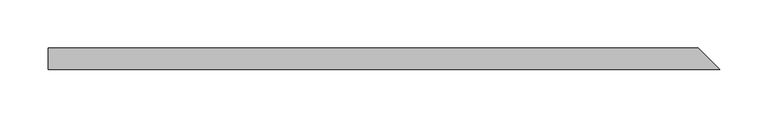
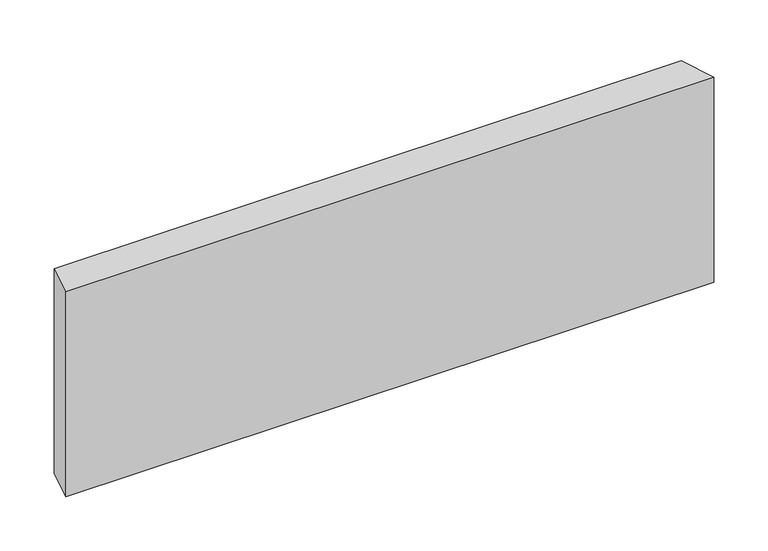
"""IFC4 building model written with IfcOpenShell, lengths in millimetres: beam geometry."""

import ifcopenshell
import ifcopenshell.guid

model = None  # the IFC model being written
_history = None  # IfcOwnerHistory: only IFC2X3 demands one
_inside = {}  # id of a spatial element -> (the spatial element, [elements in it])
_under = {}  # id of a project, library or spatial element -> (it, [spatial elements below it])
_declared = {}  # id of a project -> (the project, [libraries it declares])
_typed = {}  # id of a type object -> (the type object, [elements of that type])
_made_of = {}  # id of a material, layer set ... -> (it, [elements and type objects made of it])


def new_model(schema):
    """Start an empty IFC model of exactly this schema.

    Asked for "IFC4X3", IfcOpenShell would pick the latest addendum, in which some entities
    have other attributes; the version numbers below select the first issue.
    IFC2X3 requires an IfcOwnerHistory on every rooted entity: one is made here for all.
    """
    global model, _history
    if schema == "IFC4X3":
        model = ifcopenshell.file(schema_version=(4, 3, 0, 0))
    else:
        model = ifcopenshell.file(schema=schema)
    _inside.clear()
    _under.clear()
    _declared.clear()
    _typed.clear()
    _made_of.clear()
    _history = None
    if model.schema == "IFC2X3":
        org = make("IfcOrganization", Name="unknown")
        user = make(
            "IfcPersonAndOrganization",
            ThePerson=make("IfcPerson", FamilyName="unknown"),
            TheOrganization=org,
        )
        app = make(
            "IfcApplication",
            ApplicationDeveloper=org,
            Version="unknown",
            ApplicationFullName="unknown",
            ApplicationIdentifier="unknown",
        )
        _history = make(
            "IfcOwnerHistory",
            OwningUser=user,
            OwningApplication=app,
            ChangeAction="ADDED",
            CreationDate=0,
        )
    return model


def make(cls, **values):
    """One entity of the class cls with the attributes given. An attribute that is None is left unset."""
    return model.create_entity(
        cls, **{name: value for name, value in values.items() if value is not None}
    )


def rooted(cls, **values):
    """An entity with a GlobalId (a new one), such as an element, a storey or a relation."""
    return make(cls, GlobalId=ifcopenshell.guid.new(), OwnerHistory=_history, **values)


def si_unit(unit_type, name, prefix=None):
    """IfcSIUnit, for example si_unit("LENGTHUNIT", "METRE", prefix="MILLI")."""
    return make("IfcSIUnit", UnitType=unit_type, Prefix=prefix, Name=name)


def assignment(units):
    """IfcUnitAssignment: the units of a project."""
    return None if units is None else make("IfcUnitAssignment", Units=units)


def point(xyz):
    """IfcCartesianPoint."""
    return None if xyz is None else make("IfcCartesianPoint", Coordinates=xyz)


def direction(xyz):
    """IfcDirection."""
    return None if xyz is None else make("IfcDirection", DirectionRatios=xyz)


def frame(location, z_axis=None, x_axis=None):
    """IfcAxis2Placement3D, a coordinate frame: its origin and axes. An axis left out is left unset."""
    return make(
        "IfcAxis2Placement3D",
        Location=point(location),
        Axis=direction(z_axis),
        RefDirection=direction(x_axis),
    )


def origin():
    """The frame at (0, 0, 0) with its axes left unset."""
    return frame((0.0, 0.0, 0.0))


def place(relative_to, where):
    """IfcLocalPlacement: puts the frame where relative to a parent placement (None: the world)."""
    return make(
        "IfcLocalPlacement", PlacementRelTo=relative_to, RelativePlacement=where
    )


def context(
    kind, dimensions, precision=None, world=None, true_north=None, identifier=None
):
    """IfcGeometricRepresentationContext, for example the 3D "Model" context."""
    return make(
        "IfcGeometricRepresentationContext",
        ContextIdentifier=identifier,
        ContextType=kind,
        CoordinateSpaceDimension=dimensions,
        Precision=precision,
        WorldCoordinateSystem=world,
        TrueNorth=true_north,
    )


def project(units=None, contexts=None):
    """IfcProject with its units and contexts."""
    return rooted(
        "IfcProject",
        Name="project",
        RepresentationContexts=contexts,
        UnitsInContext=assignment(units),
    )


def spatial(cls, under=None, at=None, **own):
    """A site, building, storey or space (cls), placed at a placement, below another one or the project."""
    s = rooted(cls, ObjectPlacement=at, **own)
    if under is not None:
        _under.setdefault(under.id(), (under, []))[1].append(s)
    return s


def faces_of(points, faces, orient=None, outer=None):
    """IfcFace entities. A face is a list of loops; a loop is a list of indices into points, from 0.

    orient and outer hold one flag for each loop. By default every Orientation is true, the
    first loop of a face is its IfcFaceOuterBound and the others are IfcFaceBound.
    """
    made = []
    for i, loops in enumerate(faces):
        bounds = []
        for j, loop in enumerate(loops):
            is_outer = j == 0 if outer is None else outer[i][j]
            bounds.append(
                make(
                    "IfcFaceOuterBound" if is_outer else "IfcFaceBound",
                    Bound=make("IfcPolyLoop", Polygon=[points[k] for k in loop]),
                    Orientation=True if orient is None else orient[i][j],
                )
            )
        made.append(make("IfcFace", Bounds=bounds))
    return made


def faceted_brep(points, faces, orient=None, outer=None, voids=None):
    """IfcFacetedBrep: a solid bounded by flat faces; with voids (closed shells), ...WithVoids."""
    shared = [point(p) for p in points]
    hull = make("IfcClosedShell", CfsFaces=faces_of(shared, faces, orient, outer))
    if voids is None:
        return make("IfcFacetedBrep", Outer=hull)
    return make(
        "IfcFacetedBrepWithVoids",
        Outer=hull,
        Voids=[
            make(cls, CfsFaces=faces_of(shared, fs, o, b)) for cls, fs, o, b in voids
        ],
    )


def shape(context_of_items, identifier, shape_type, items):
    """IfcShapeRepresentation: the items that make up one representation, for example the "Body"."""
    return make(
        "IfcShapeRepresentation",
        ContextOfItems=context_of_items,
        RepresentationIdentifier=identifier,
        RepresentationType=shape_type,
        Items=items,
    )


def source(mapping_origin, context_of_items, identifier, shape_type, items):
    """IfcRepresentationMap: a shape defined once, which mapped items show again and again."""
    return make(
        "IfcRepresentationMap",
        MappingOrigin=mapping_origin,
        MappedRepresentation=shape(context_of_items, identifier, shape_type, items),
    )


def transform(
    local_origin,
    x_axis=None,
    y_axis=None,
    z_axis=None,
    scale=None,
    scale2=None,
    scale3=None,
    uniform=True,
):
    """IfcCartesianTransformationOperator3D, or its non-uniform kind. x_axis, y_axis, z_axis: its Axis1, 2, 3."""
    if uniform:
        return make(
            "IfcCartesianTransformationOperator3D",
            Axis1=direction(x_axis),
            Axis2=direction(y_axis),
            LocalOrigin=point(local_origin),
            Scale=scale,
            Axis3=direction(z_axis),
        )
    return make(
        "IfcCartesianTransformationOperator3DnonUniform",
        Axis1=direction(x_axis),
        Axis2=direction(y_axis),
        LocalOrigin=point(local_origin),
        Scale=scale,
        Axis3=direction(z_axis),
        Scale2=scale2,
        Scale3=scale3,
    )


def mapped(mapping_source, mapping_target):
    """IfcMappedItem: shows the shape of a source again, moved by a transform."""
    return make(
        "IfcMappedItem", MappingSource=mapping_source, MappingTarget=mapping_target
    )


def made_of(thing, what):
    """Note that an element or type object is made of a material, layer set ...; save() writes the relation."""
    if what is not None:
        _made_of.setdefault(what.id(), (what, []))[1].append(thing)
    return thing


def element(
    cls,
    number,
    at=None,
    inside=None,
    cuts=None,
    type_object=None,
    material=None,
    context=None,
    identifier="Body",
    shape_type=None,
    held_by="IfcProductDefinitionShape",
    body=None,
    shapes=None,
    **own,
):
    """One element of the class cls, such as IfcWall. Its Tag is "e" and its number.

    at: its placement. inside: the storey or other place that contains it. cuts: it is an
    opening in that element (IfcRelVoidsElement). A single representation is given by context,
    identifier, shape_type and body (its items); several are given by shapes. held_by: the class
    of the entity that holds the representations. save() writes the other relations.
    """
    e = rooted(cls, Tag="e%d" % number, ObjectPlacement=at, **own)
    if body is not None:
        shapes = [shape(context, identifier, shape_type, body)]
    if shapes is not None:
        e.Representation = make(held_by, Representations=shapes)
    if inside is not None:
        _inside.setdefault(inside.id(), (inside, []))[1].append(e)
    if cuts is not None:
        rooted(
            "IfcRelVoidsElement", RelatingBuildingElement=cuts, RelatedOpeningElement=e
        )
    if type_object is not None:
        _typed.setdefault(type_object.id(), (type_object, []))[1].append(e)
    return made_of(e, material)


def aggregate(whole, parts):
    """IfcRelAggregates: a whole, such as a stair, and the parts it consists of."""
    return rooted("IfcRelAggregates", RelatingObject=whole, RelatedObjects=parts)


def save(model, path):
    """Write the relations noted so far, then the file.

    IfcRelAggregates (storeys below a building ...), IfcRelContainedInSpatialStructure (elements
    in a storey), IfcRelDefinesByType, IfcRelAssociatesMaterial and IfcRelDeclares: one each for
    every whole, place, type object, material and project.
    """
    for whole, parts in _under.values():
        aggregate(whole, parts)
    for where, things in _inside.values():
        rooted(
            "IfcRelContainedInSpatialStructure",
            RelatedElements=things,
            RelatingStructure=where,
        )
    for kind, things in _typed.values():
        rooted("IfcRelDefinesByType", RelatedObjects=things, RelatingType=kind)
    for what, things in _made_of.values():
        rooted("IfcRelAssociatesMaterial", RelatedObjects=things, RelatingMaterial=what)
    for by, libraries in _declared.values():
        rooted("IfcRelDeclares", RelatingContext=by, RelatedDefinitions=libraries)
    model.write(path)


def beam_38b63963(model_context):
    return source(origin(), model_context, "Body", "Brep", [
        faceted_brep([(351.6725645, -11.0, 109.3536999), (-340.6725645, -11.0, 109.3536999), (-340.6725645, -11.0, -122.1870332), (351.6725645, -11.0, -122.1870332), (329.6725645, 11.0, 122.1870332), (329.6725645, 11.0, -109.3536999), (-340.6725645, 11.0, -109.3536999), (-340.6725645, 11.0, 122.1870332)], [[[0, 1, 2, 3]], [[4, 5, 6, 7]], [[5, 4, 0, 3]], [[6, 5, 3, 2]], [[7, 6, 2, 1]], [[4, 7, 1, 0]]]),
    ])


if __name__ == "__main__":
    model = new_model("IFC4")
    model_context = context("Model", 3, world=origin())
    ifc_project = project(units=[si_unit("LENGTHUNIT", "METRE", prefix="MILLI")], contexts=[model_context])
    site = spatial("IfcSite", under=ifc_project)
    building = spatial("IfcBuilding", under=site)
    placement = place(None, origin())
    beam_shape = beam_38b63963(model_context)
    element("IfcBeam", 1, at=placement, inside=building, context=model_context, shape_type="MappedRepresentation", body=[
        mapped(beam_shape, transform((0.0, 0.0, 0.0), x_axis=(1.0, 0.0, 0.0), y_axis=(0.0, 1.0, 0.0), z_axis=(0.0, 0.0, 1.0))),
    ])
    save(model, "model.ifc")
